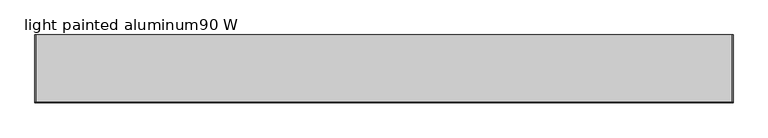
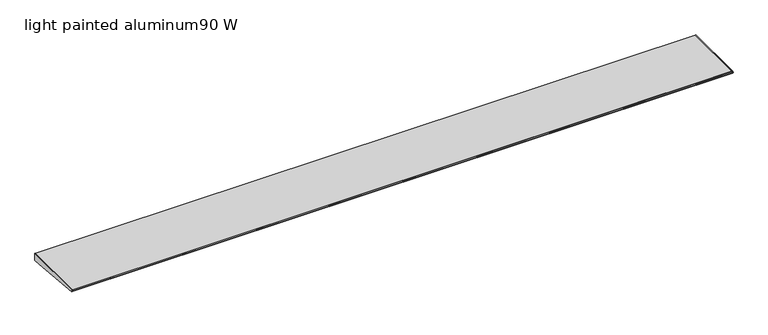
"""IFC4 building model written with IfcOpenShell, lengths in millimetres: furniture geometry, light painted aluminum90 W."""

from ifc_helpers import new_model, si_unit, point, frame, frame_2d, origin, place, context, project, spatial, polyline, circle_curve, trimmed, segment, composite_curve, outline, extrude, source, transform, mapped, element, save


def light_painted_aluminum90_w_f38a969e(model_context):
    return source(origin(), model_context, "Body", "SweptSolid", [
        extrude(outline(polyline([(-222.022331, 1045.6736755), (-220.8911683, 1047.1380929), (-218.9431893, 1047.75), (0.0, 1047.75), (0.0, 1022.35), (-25.3684852, 1022.35), (-219.3540346, 1041.4152236), (-221.1050905, 1042.160368), (-222.1155121, 1043.7729581), (-222.022331, 1045.6736755)])), frame((2281.4279999, 0.0, 0.0), z_axis=(1.0, 0.0, 0.0), x_axis=(0.0, 1.0, 0.0)), (0.0, 0.0, 1.0), 2.032),
        extrude(outline(polyline([(-222.022331, 1045.6736755), (-220.8911683, 1047.1380929), (-218.9431893, 1047.75), (0.0, 1047.75), (0.0, 1022.35), (-25.3684852, 1022.35), (-219.3540346, 1041.4152236), (-221.1050905, 1042.160368), (-222.1155121, 1043.7729581), (-222.022331, 1045.6736755)])), frame((2.5400001, 0.0, 0.0), z_axis=(1.0, 0.0, 0.0), x_axis=(0.0, 1.0, 0.0)), (0.0, 0.0, 1.0), 2.032),
        extrude(outline(composite_curve([segment(trimmed(circle_curve(frame_2d((1014.4816975, 58.3162226)), 1.0463518), [point((1015.5043898, 58.0949706))], [point((1013.475037, 58.6016816))], False, "CARTESIAN"), True, "CONTINUOUS"), segment(polyline([(1013.475037, 58.6016816), (1014.540159, 62.3577944), (1014.922503, 66.4971993), (1014.5648396, 70.3694063), (1013.5456353, 73.9635924)]), True, "CONTINUOUS"), segment(trimmed(circle_curve(frame_2d((1014.5627628, 74.2520195)), 1.0572316), [point((1013.5456353, 73.9635924))], [point((1015.5960889, 74.4755719))], False, "CARTESIAN"), True, "CONTINUOUS"), segment(polyline([(1015.5960889, 74.4755719), (1017.3221505, 66.4971993), (1015.5043898, 58.0949706)]), True, "CONTINUOUS")], self_intersect=False)), frame((0.0, -36.5726904, 0.0), z_axis=(0.0, 1.0, 0.0), x_axis=(0.0, 0.0, 1.0)), (0.0, 0.0, 1.0), 5.9999994),
        extrude(outline(composite_curve([segment(polyline([(1027.90625, 95.2723858), (1027.90625, 37.7288388)]), True, "CONTINUOUS"), segment(trimmed(circle_curve(frame_2d((1021.953125, 37.7288388)), 5.953125), [point((1027.90625, 37.7288388))], [point((1016.0, 37.7288388))], False, "CARTESIAN"), True, "CONTINUOUS"), segment(polyline([(1016.0, 37.7288388), (1016.0, 95.2723858)]), True, "CONTINUOUS"), segment(trimmed(circle_curve(frame_2d((1021.953125, 95.2723858)), 5.953125), [point((1016.0, 95.2723858))], [point((1027.90625, 95.2723858))], False, "CARTESIAN"), True, "CONTINUOUS")], self_intersect=False)), frame((0.0, -43.5726901, 0.0), z_axis=(0.0, 1.0, 0.0), x_axis=(0.0, 0.0, 1.0)), (0.0, 0.0, 1.0), 19.9999488),
        extrude(outline(polyline([(2232.2536077, -30.7458409), (2232.2536077, -40.9058425), (82.9056045, -40.9058425), (82.9056045, -30.7458409), (2232.2536077, -30.7458409)])), frame((0.0, 0.0, 1026.1652), z_axis=(0.0, 0.0, 1.0), x_axis=(1.0, 0.0, 0.0)), (0.0, 0.0, 1.0), 0.8127998),
        extrude(outline(polyline([(0.0, 1047.75), (0.0, 1022.35), (-25.3684852, 1022.35), (-219.3540346, 1041.4152236), (-221.1050905, 1042.160368), (-222.1155121, 1043.7729581), (-222.022331, 1045.6736755), (-220.8911683, 1047.1380929), (-218.9431893, 1047.75), (0.0, 1047.75)])), frame((4.5720001, 0.0, 0.0), z_axis=(1.0, 0.0, 0.0), x_axis=(0.0, 1.0, 0.0)), (0.0, 0.0, 1.0), 2276.8559997),
    ])


if __name__ == "__main__":
    model = new_model("IFC4")
    model_context = context("Model", 3, world=origin())
    ifc_project = project(units=[si_unit("LENGTHUNIT", "METRE", prefix="MILLI")], contexts=[model_context])
    site = spatial("IfcSite", under=ifc_project)
    building = spatial("IfcBuilding", under=site)
    placement = place(None, origin())
    light_painted_aluminum90_w_shape = light_painted_aluminum90_w_f38a969e(model_context)
    element("IfcFurniture", 1, ObjectType="light painted aluminum90 W", at=placement, inside=building, context=model_context, shape_type="MappedRepresentation", body=[
        mapped(light_painted_aluminum90_w_shape, transform((0.0, 0.0, 0.0), x_axis=(1.0, 0.0, 0.0), y_axis=(0.0, 1.0, 0.0), z_axis=(0.0, 0.0, 1.0))),
    ])
    save(model, "model.ifc")
